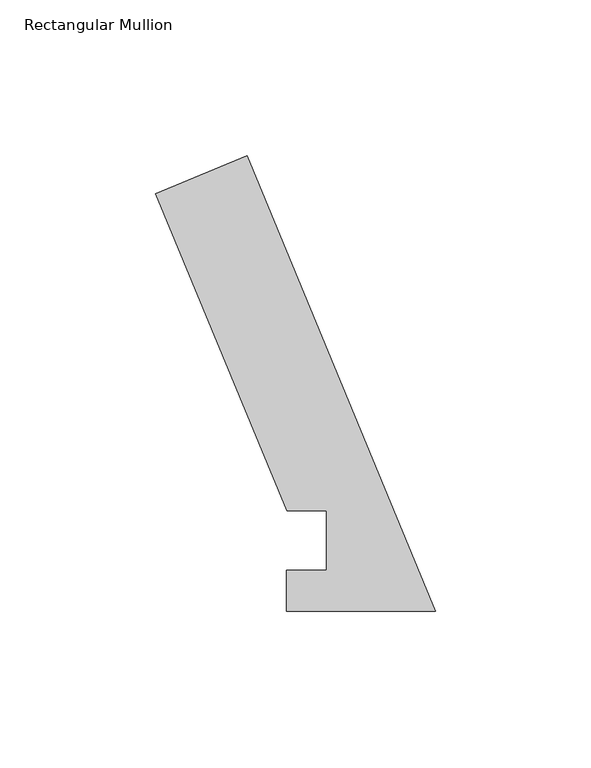
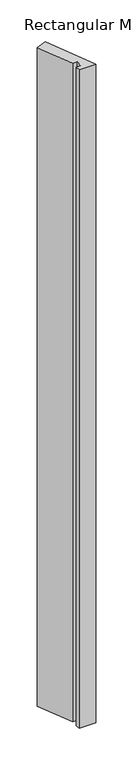
"""IFC4 building model written with IfcOpenShell, lengths in millimetres: member geometry, Rectangular Mullion."""

from ifc_helpers import new_model, si_unit, frame, origin, place, context, project, spatial, polyline, outline, extrude, source, transform, mapped, element, save


def rectangular_mullion_5ac0f6fd(model_context):
    return source(origin(), model_context, "Body", "SweptSolid", [
        extrude(outline(polyline([(-60.6043495, 146.334943), (0.0, 0.0231006), (-47.879745, 0.0231006), (-47.879745, 13.1960937), (-35.0131531, 13.1960937), (-35.0131531, 32.2460937), (-47.7131532, 32.2460938), (-89.9375246, 134.1847441), (-60.6043495, 146.334943)])), frame((0.0, 0.0, -1993.9), z_axis=(0.0, 0.0, 1.0), x_axis=(1.0, 0.0, 0.0)), (0.0, 0.0, 1.0), 1993.9),
    ])


if __name__ == "__main__":
    model = new_model("IFC4")
    model_context = context("Model", 3, world=origin())
    ifc_project = project(units=[si_unit("LENGTHUNIT", "METRE", prefix="MILLI")], contexts=[model_context])
    site = spatial("IfcSite", under=ifc_project)
    building = spatial("IfcBuilding", under=site)
    placement = place(None, origin())
    rectangular_mullion_shape = rectangular_mullion_5ac0f6fd(model_context)
    element("IfcMember", 1, ObjectType="Rectangular Mullion", at=placement, inside=building, context=model_context, shape_type="MappedRepresentation", body=[
        mapped(rectangular_mullion_shape, transform((0.0, 0.0, 0.0), x_axis=(1.0, 0.0, 0.0), y_axis=(0.0, 1.0, 0.0), z_axis=(0.0, 0.0, 1.0))),
    ])
    save(model, "model.ifc")
